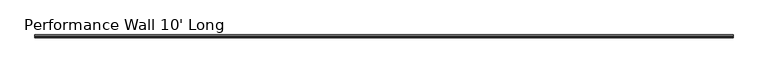
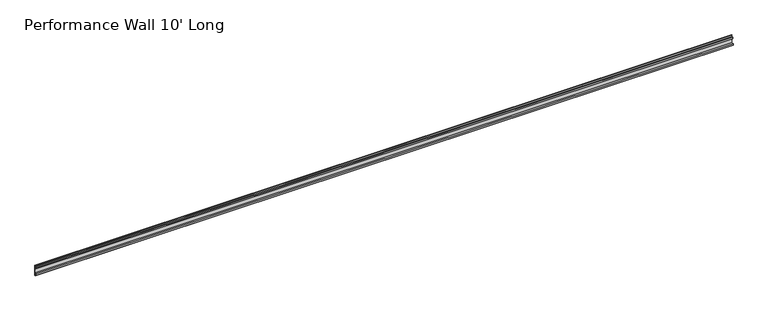
"""IFC4 building model written with IfcOpenShell, lengths in millimetres: furniture geometry, Performance Wall 10' Long."""

from ifc_helpers import new_model, si_unit, frame, origin, place, context, project, spatial, polyline, outline, extrude, source, transform, mapped, element, save


def performance_wall_10_long_59eb3e2f(model_context):
    return source(origin(), model_context, "Body", "SweptSolid", [
        extrude(outline(polyline([(0.0, 1981.2), (-3.0801413, 1981.1982663), (-3.0837154, 1987.5482653), (-11.5351723, 1987.5435084), (-11.5387464, 1993.8935074), (-3.0872896, 1993.8982643), (-3.0983255, 2013.5053275), (-7.581033, 2013.5028044), (-7.5846072, 2019.8528034), (-3.1018996, 2019.8553265), (-3.1054738, 2026.2053255), (-0.0253325, 2026.2070592), (0.0, 1981.2)])), frame((41.91, 0.0, 0.0), z_axis=(1.0, 0.0, 0.0), x_axis=(0.0, 1.0, 0.0)), (0.0, 0.0, 1.0), 2964.18),
    ])


if __name__ == "__main__":
    model = new_model("IFC4")
    model_context = context("Model", 3, world=origin())
    ifc_project = project(units=[si_unit("LENGTHUNIT", "METRE", prefix="MILLI")], contexts=[model_context])
    site = spatial("IfcSite", under=ifc_project)
    building = spatial("IfcBuilding", under=site)
    placement = place(None, origin())
    performance_wall_10_long_shape = performance_wall_10_long_59eb3e2f(model_context)
    element("IfcFurniture", 1, ObjectType="Performance Wall 10' Long", at=placement, inside=building, context=model_context, shape_type="MappedRepresentation", body=[
        mapped(performance_wall_10_long_shape, transform((0.0, 0.0, 0.0), x_axis=(1.0, 0.0, 0.0), y_axis=(0.0, 1.0, 0.0), z_axis=(0.0, 0.0, 1.0))),
    ])
    save(model, "model.ifc")
